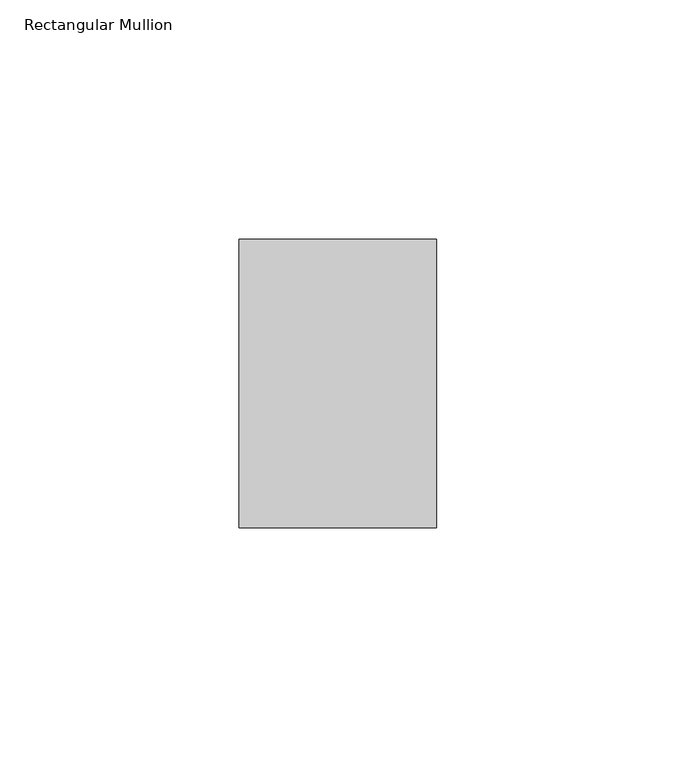
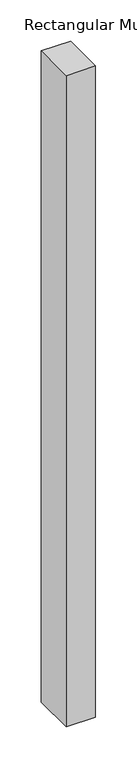
"""IFC4 building model written with IfcOpenShell, lengths in millimetres: member geometry, Rectangular Mullion."""

import ifcopenshell
import ifcopenshell.guid

model = None  # the IFC model being written
_history = None  # IfcOwnerHistory: only IFC2X3 demands one
_inside = {}  # id of a spatial element -> (the spatial element, [elements in it])
_under = {}  # id of a project, library or spatial element -> (it, [spatial elements below it])
_declared = {}  # id of a project -> (the project, [libraries it declares])
_typed = {}  # id of a type object -> (the type object, [elements of that type])
_made_of = {}  # id of a material, layer set ... -> (it, [elements and type objects made of it])


def new_model(schema):
    """Start an empty IFC model of exactly this schema.

    Asked for "IFC4X3", IfcOpenShell would pick the latest addendum, in which some entities
    have other attributes; the version numbers below select the first issue.
    IFC2X3 requires an IfcOwnerHistory on every rooted entity: one is made here for all.
    """
    global model, _history
    if schema == "IFC4X3":
        model = ifcopenshell.file(schema_version=(4, 3, 0, 0))
    else:
        model = ifcopenshell.file(schema=schema)
    _inside.clear()
    _under.clear()
    _declared.clear()
    _typed.clear()
    _made_of.clear()
    _history = None
    if model.schema == "IFC2X3":
        org = make("IfcOrganization", Name="unknown")
        user = make(
            "IfcPersonAndOrganization",
            ThePerson=make("IfcPerson", FamilyName="unknown"),
            TheOrganization=org,
        )
        app = make(
            "IfcApplication",
            ApplicationDeveloper=org,
            Version="unknown",
            ApplicationFullName="unknown",
            ApplicationIdentifier="unknown",
        )
        _history = make(
            "IfcOwnerHistory",
            OwningUser=user,
            OwningApplication=app,
            ChangeAction="ADDED",
            CreationDate=0,
        )
    return model


def make(cls, **values):
    """One entity of the class cls with the attributes given. An attribute that is None is left unset."""
    return model.create_entity(
        cls, **{name: value for name, value in values.items() if value is not None}
    )


def rooted(cls, **values):
    """An entity with a GlobalId (a new one), such as an element, a storey or a relation."""
    return make(cls, GlobalId=ifcopenshell.guid.new(), OwnerHistory=_history, **values)


def si_unit(unit_type, name, prefix=None):
    """IfcSIUnit, for example si_unit("LENGTHUNIT", "METRE", prefix="MILLI")."""
    return make("IfcSIUnit", UnitType=unit_type, Prefix=prefix, Name=name)


def assignment(units):
    """IfcUnitAssignment: the units of a project."""
    return None if units is None else make("IfcUnitAssignment", Units=units)


def point(xyz):
    """IfcCartesianPoint."""
    return None if xyz is None else make("IfcCartesianPoint", Coordinates=xyz)


def direction(xyz):
    """IfcDirection."""
    return None if xyz is None else make("IfcDirection", DirectionRatios=xyz)


def frame(location, z_axis=None, x_axis=None):
    """IfcAxis2Placement3D, a coordinate frame: its origin and axes. An axis left out is left unset."""
    return make(
        "IfcAxis2Placement3D",
        Location=point(location),
        Axis=direction(z_axis),
        RefDirection=direction(x_axis),
    )


def origin():
    """The frame at (0, 0, 0) with its axes left unset."""
    return frame((0.0, 0.0, 0.0))


def place(relative_to, where):
    """IfcLocalPlacement: puts the frame where relative to a parent placement (None: the world)."""
    return make(
        "IfcLocalPlacement", PlacementRelTo=relative_to, RelativePlacement=where
    )


def context(
    kind, dimensions, precision=None, world=None, true_north=None, identifier=None
):
    """IfcGeometricRepresentationContext, for example the 3D "Model" context."""
    return make(
        "IfcGeometricRepresentationContext",
        ContextIdentifier=identifier,
        ContextType=kind,
        CoordinateSpaceDimension=dimensions,
        Precision=precision,
        WorldCoordinateSystem=world,
        TrueNorth=true_north,
    )


def project(units=None, contexts=None):
    """IfcProject with its units and contexts."""
    return rooted(
        "IfcProject",
        Name="project",
        RepresentationContexts=contexts,
        UnitsInContext=assignment(units),
    )


def spatial(cls, under=None, at=None, **own):
    """A site, building, storey or space (cls), placed at a placement, below another one or the project."""
    s = rooted(cls, ObjectPlacement=at, **own)
    if under is not None:
        _under.setdefault(under.id(), (under, []))[1].append(s)
    return s


def polyline(points):
    """IfcPolyline through the points."""
    return make("IfcPolyline", Points=[point(p) for p in points])


def outline(outer, holes=None, kind="AREA"):
    """IfcArbitraryClosedProfileDef: a profile drawn as a closed curve; with holes, ...WithVoids."""
    if holes is None:
        return make("IfcArbitraryClosedProfileDef", ProfileType=kind, OuterCurve=outer)
    return make(
        "IfcArbitraryProfileDefWithVoids",
        ProfileType=kind,
        OuterCurve=outer,
        InnerCurves=holes,
    )


def extrude(swept, where, along, depth):
    """IfcExtrudedAreaSolid: the profile swept, set in the frame where, extruded along a direction by depth."""
    return make(
        "IfcExtrudedAreaSolid",
        SweptArea=swept,
        Position=where,
        ExtrudedDirection=direction(along),
        Depth=depth,
    )


def shape(context_of_items, identifier, shape_type, items):
    """IfcShapeRepresentation: the items that make up one representation, for example the "Body"."""
    return make(
        "IfcShapeRepresentation",
        ContextOfItems=context_of_items,
        RepresentationIdentifier=identifier,
        RepresentationType=shape_type,
        Items=items,
    )


def source(mapping_origin, context_of_items, identifier, shape_type, items):
    """IfcRepresentationMap: a shape defined once, which mapped items show again and again."""
    return make(
        "IfcRepresentationMap",
        MappingOrigin=mapping_origin,
        MappedRepresentation=shape(context_of_items, identifier, shape_type, items),
    )


def transform(
    local_origin,
    x_axis=None,
    y_axis=None,
    z_axis=None,
    scale=None,
    scale2=None,
    scale3=None,
    uniform=True,
):
    """IfcCartesianTransformationOperator3D, or its non-uniform kind. x_axis, y_axis, z_axis: its Axis1, 2, 3."""
    if uniform:
        return make(
            "IfcCartesianTransformationOperator3D",
            Axis1=direction(x_axis),
            Axis2=direction(y_axis),
            LocalOrigin=point(local_origin),
            Scale=scale,
            Axis3=direction(z_axis),
        )
    return make(
        "IfcCartesianTransformationOperator3DnonUniform",
        Axis1=direction(x_axis),
        Axis2=direction(y_axis),
        LocalOrigin=point(local_origin),
        Scale=scale,
        Axis3=direction(z_axis),
        Scale2=scale2,
        Scale3=scale3,
    )


def mapped(mapping_source, mapping_target):
    """IfcMappedItem: shows the shape of a source again, moved by a transform."""
    return make(
        "IfcMappedItem", MappingSource=mapping_source, MappingTarget=mapping_target
    )


def made_of(thing, what):
    """Note that an element or type object is made of a material, layer set ...; save() writes the relation."""
    if what is not None:
        _made_of.setdefault(what.id(), (what, []))[1].append(thing)
    return thing


def element(
    cls,
    number,
    at=None,
    inside=None,
    cuts=None,
    type_object=None,
    material=None,
    context=None,
    identifier="Body",
    shape_type=None,
    held_by="IfcProductDefinitionShape",
    body=None,
    shapes=None,
    **own,
):
    """One element of the class cls, such as IfcWall. Its Tag is "e" and its number.

    at: its placement. inside: the storey or other place that contains it. cuts: it is an
    opening in that element (IfcRelVoidsElement). A single representation is given by context,
    identifier, shape_type and body (its items); several are given by shapes. held_by: the class
    of the entity that holds the representations. save() writes the other relations.
    """
    e = rooted(cls, Tag="e%d" % number, ObjectPlacement=at, **own)
    if body is not None:
        shapes = [shape(context, identifier, shape_type, body)]
    if shapes is not None:
        e.Representation = make(held_by, Representations=shapes)
    if inside is not None:
        _inside.setdefault(inside.id(), (inside, []))[1].append(e)
    if cuts is not None:
        rooted(
            "IfcRelVoidsElement", RelatingBuildingElement=cuts, RelatedOpeningElement=e
        )
    if type_object is not None:
        _typed.setdefault(type_object.id(), (type_object, []))[1].append(e)
    return made_of(e, material)


def aggregate(whole, parts):
    """IfcRelAggregates: a whole, such as a stair, and the parts it consists of."""
    return rooted("IfcRelAggregates", RelatingObject=whole, RelatedObjects=parts)


def save(model, path):
    """Write the relations noted so far, then the file.

    IfcRelAggregates (storeys below a building ...), IfcRelContainedInSpatialStructure (elements
    in a storey), IfcRelDefinesByType, IfcRelAssociatesMaterial and IfcRelDeclares: one each for
    every whole, place, type object, material and project.
    """
    for whole, parts in _under.values():
        aggregate(whole, parts)
    for where, things in _inside.values():
        rooted(
            "IfcRelContainedInSpatialStructure",
            RelatedElements=things,
            RelatingStructure=where,
        )
    for kind, things in _typed.values():
        rooted("IfcRelDefinesByType", RelatedObjects=things, RelatingType=kind)
    for what, things in _made_of.values():
        rooted("IfcRelAssociatesMaterial", RelatedObjects=things, RelatingMaterial=what)
    for by, libraries in _declared.values():
        rooted("IfcRelDeclares", RelatingContext=by, RelatedDefinitions=libraries)
    model.write(path)


def rectangular_mullion_44f74123(model_context):
    return source(origin(), model_context, "Body", "SweptSolid", [
        extrude(outline(polyline([(0.0, -50.8), (-41.275, -50.8), (-41.275, 9.525), (0.0, 9.525), (0.0, -50.8)])), frame((0.0, 0.0, -965.2), z_axis=(0.0, 0.0, 1.0), x_axis=(1.0, 0.0, 0.0)), (0.0, 0.0, 1.0), 965.2),
    ])


if __name__ == "__main__":
    model = new_model("IFC4")
    model_context = context("Model", 3, world=origin())
    ifc_project = project(units=[si_unit("LENGTHUNIT", "METRE", prefix="MILLI")], contexts=[model_context])
    site = spatial("IfcSite", under=ifc_project)
    building = spatial("IfcBuilding", under=site)
    placement = place(None, origin())
    rectangular_mullion_shape = rectangular_mullion_44f74123(model_context)
    element("IfcMember", 1, ObjectType="Rectangular Mullion", at=placement, inside=building, context=model_context, shape_type="MappedRepresentation", body=[
        mapped(rectangular_mullion_shape, transform((0.0, 0.0, 0.0), x_axis=(1.0, 0.0, 0.0), y_axis=(0.0, 1.0, 0.0), z_axis=(0.0, 0.0, 1.0))),
    ])
    save(model, "model.ifc")
